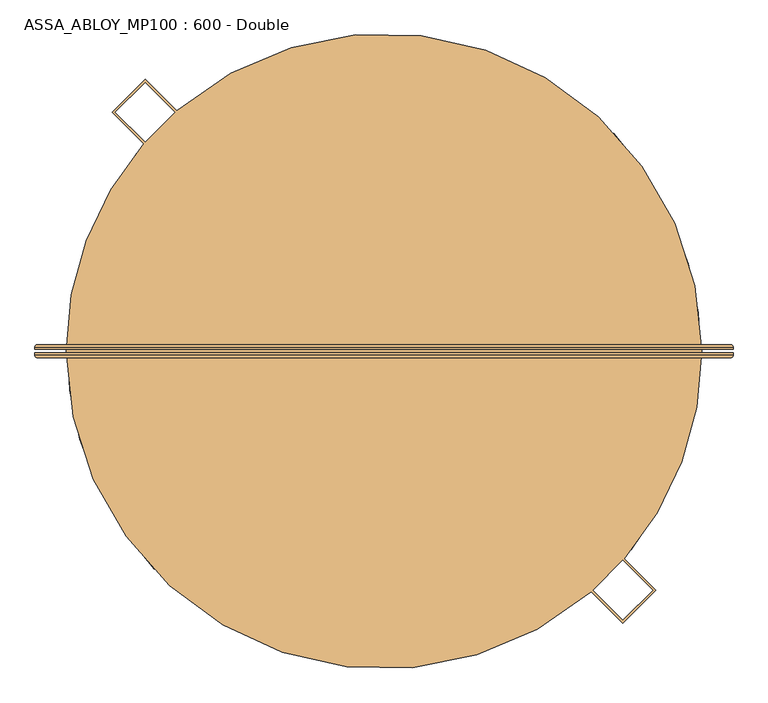
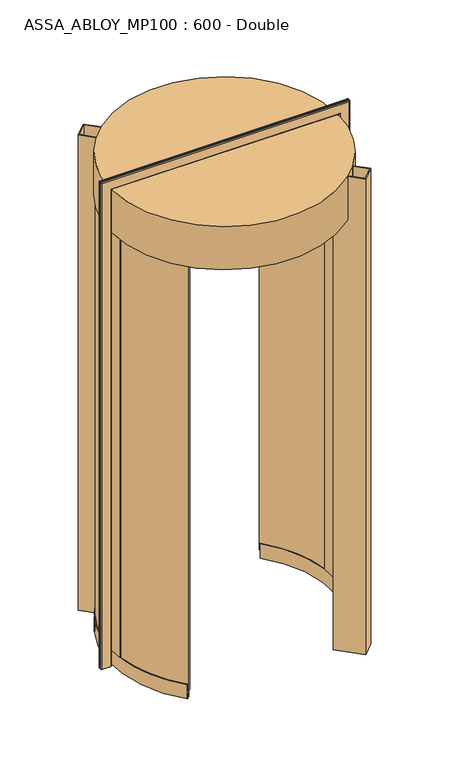
"""IFC4 building model written with IfcOpenShell, lengths in millimetres: door geometry, ASSA_ABLOY_MP100 : 600 - Double."""

from ifc_helpers import new_model, si_unit, point, frame, frame_2d, origin, place, context, project, spatial, polyline, circle_curve, ellipse_curve, trimmed, segment, composite_curve, outline, extrude, source, transform, mapped, element, save
from ifc_brep_helpers import plane_surface, cylinder_surface, revolved_surface, advanced_brep


def assa_abloy_mp100_600_double_fcd128a1(model_context):
    return source(origin(), model_context, "Body", "SolidModel", [
        advanced_brep(
        [(720.0980762, 11.0, 0.0), (724.0980762, 7.0, 0.0), (724.0980762, 3.0, 0.0), (722.0980762, 3.0, 0.0), (722.0980762, 7.0, 0.0), (720.0980762, 9.0, 0.0), (678.0980762, 9.0, 0.0), (676.0980762, 7.0, 0.0), (676.0980762, 3.0, 0.0), (674.0980762, 3.0, 0.0), (674.0980762, 7.0, 0.0), (678.0980762, 11.0, 0.0), (720.0980762, 11.0, 2470.9980762), (724.0980762, 7.0, 2474.9980762), (724.0980762, 3.0, 2474.9980762), (674.0980762, 7.0, 2424.9980762), (678.0980762, 11.0, 2428.9980762), (-428.0980762, 11.0, 2428.9980762), (-428.0980762, 11.0, 0.0), (-470.0980762, 11.0, 0.0), (-470.0980762, 11.0, 2470.9980762), (-474.0980762, 7.0, 2474.9980762), (-474.0980762, 3.0, 2474.9980762), (-424.0980762, 7.0, 2424.9980762), (-424.0980762, 7.0, 0.0), (-424.0980762, 3.0, 0.0), (-426.0980762, 3.0, 0.0), (-426.0980762, 7.0, 0.0), (-428.0980762, 9.0, 0.0), (-470.0980762, 9.0, 0.0), (-472.0980762, 7.0, 0.0), (-472.0980762, 3.0, 0.0), (-474.0980762, 3.0, 0.0), (-474.0980762, 7.0, 0.0), (-472.0980762, 3.0, 2472.9980762), (722.0980762, 3.0, 2472.9980762), (722.0980762, 7.0, 2472.9980762), (720.0980762, 9.0, 2470.9980762), (-470.0980762, 9.0, 2470.9980762), (-428.0980762, 9.0, 2428.9980762), (678.0980762, 9.0, 2428.9980762), (676.0980762, 7.0, 2426.9980762), (676.0980762, 3.0, 2426.9980762), (-426.0980762, 3.0, 2426.9980762), (-424.0980762, 3.0, 2424.9980762), (674.0980762, 3.0, 2424.9980762), (-472.0980762, 7.0, 2472.9980762), (-426.0980762, 7.0, 2426.9980762)],
        [
            (0, 1, circle_curve(frame((720.0980762, 7.0, 0.0), z_axis=(0.0, 0.0, -1.0), x_axis=(-1.0, 0.0, 0.0)), 4.0)),
            (1, 2),
            (2, 3),
            (3, 4),
            (4, 5, circle_curve(frame((720.0980762, 7.0, 0.0), z_axis=(0.0, 0.0, 1.0), x_axis=(-1.0, 0.0, 0.0)), 2.0)),
            (5, 6),
            (6, 7, circle_curve(frame((678.0980762, 7.0, 0.0), z_axis=(0.0, 0.0, 1.0), x_axis=(-1.0, 0.0, 0.0)), 2.0)),
            (7, 8),
            (8, 9),
            (9, 10),
            (10, 11, circle_curve(frame((678.0980762, 7.0, 0.0), z_axis=(0.0, 0.0, -1.0), x_axis=(-1.0, 0.0, 0.0)), 4.0)),
            (11, 0),
            (0, 12),
            (12, 13, ellipse_curve(frame((720.0980762, 7.0, 2470.9980762), z_axis=(0.7071067811865475, 0.0, -0.7071067811865475), x_axis=(-0.7071067811865474, 0.0, -0.7071067811865476)), 5.6568542, 4.0)),
            (13, 1),
            (13, 14),
            (14, 2),
            (10, 15),
            (15, 16, ellipse_curve(frame((678.0980762, 7.0, 2428.9980762), z_axis=(0.7071067811865475, 0.0, -0.7071067811865475), x_axis=(-0.7071067811865474, 0.0, -0.7071067811865476)), 5.6568542, 4.0)),
            (16, 11),
            (16, 17),
            (17, 18),
            (18, 19),
            (19, 20),
            (20, 12),
            (20, 21, ellipse_curve(frame((-470.0980762, 7.0, 2470.9980762), z_axis=(0.7071067811865475, 0.0, 0.7071067811865475), x_axis=(0.7071067811865476, 0.0, -0.7071067811865474)), 5.6568542, 4.0)),
            (21, 13),
            (21, 22),
            (22, 14),
            (15, 23),
            (23, 17, ellipse_curve(frame((-428.0980762, 7.0, 2428.9980762), z_axis=(0.7071067811865475, 0.0, 0.7071067811865475), x_axis=(0.7071067811865476, 0.0, -0.7071067811865474)), 5.6568542, 4.0)),
            (18, 24, circle_curve(frame((-428.0980762, 7.0, 0.0), z_axis=(0.0, 0.0, -1.0), x_axis=(1.0, 0.0, 0.0)), 4.0)),
            (24, 25),
            (25, 26),
            (26, 27),
            (27, 28, circle_curve(frame((-428.0980762, 7.0, 0.0), z_axis=(0.0, 0.0, 1.0), x_axis=(1.0, 0.0, 0.0)), 2.0)),
            (28, 29),
            (29, 30, circle_curve(frame((-470.0980762, 7.0, 0.0), z_axis=(0.0, 0.0, 1.0), x_axis=(1.0, 0.0, 0.0)), 2.0)),
            (30, 31),
            (31, 32),
            (32, 33),
            (33, 19, circle_curve(frame((-470.0980762, 7.0, 0.0), z_axis=(0.0, 0.0, -1.0), x_axis=(1.0, 0.0, 0.0)), 4.0)),
            (33, 21),
            (32, 22),
            (23, 24),
            (31, 34),
            (34, 35),
            (35, 3),
            (35, 36),
            (36, 4),
            (36, 37, ellipse_curve(frame((720.0980762, 7.0, 2470.9980762), z_axis=(-0.7071067811865475, 0.0, 0.7071067811865475), x_axis=(0.7071067811865474, 0.0, 0.7071067811865476)), 2.8284271, 2.0)),
            (37, 5),
            (37, 38),
            (38, 29),
            (28, 39),
            (39, 40),
            (40, 6),
            (40, 41, ellipse_curve(frame((678.0980762, 7.0, 2428.9980762), z_axis=(-0.7071067811865475, 0.0, 0.7071067811865475), x_axis=(0.7071067811865474, 0.0, 0.7071067811865476)), 2.8284271, 2.0)),
            (41, 7),
            (41, 42),
            (42, 8),
            (42, 43),
            (43, 26),
            (25, 44),
            (44, 45),
            (45, 9),
            (45, 15),
            (34, 46),
            (46, 36),
            (46, 38, ellipse_curve(frame((-470.0980762, 7.0, 2470.9980762), z_axis=(-0.7071067811865475, 0.0, -0.7071067811865475), x_axis=(-0.7071067811865476, 0.0, 0.7071067811865474)), 2.8284271, 2.0)),
            (39, 47, ellipse_curve(frame((-428.0980762, 7.0, 2428.9980762), z_axis=(-0.7071067811865475, 0.0, -0.7071067811865475), x_axis=(-0.7071067811865476, 0.0, 0.7071067811865474)), 2.8284271, 2.0)),
            (47, 41),
            (47, 43),
            (44, 23),
            (30, 46),
            (27, 47),
        ],
        [
            plane_surface(frame((674.1, 0.0, 0.0), z_axis=(0.0, 0.0, -1.0), x_axis=(0.0, -1.0, 0.0))),
            cylinder_surface(frame((720.0980762, 7.0, 0.0), z_axis=(0.0, 0.0, -1.0), x_axis=(-1.0, 0.0, 0.0)), 4.0),
            plane_surface(frame((724.0980762, 7.0, 0.0), z_axis=(1.0, 0.0, 0.0), x_axis=(0.0, 0.0, 1.0))),
            cylinder_surface(frame((678.0980762, 7.0, 0.0), z_axis=(0.0, 0.0, -1.0), x_axis=(-1.0, 0.0, 0.0)), 4.0),
            plane_surface(frame((678.0980762, 11.0, 0.0), z_axis=(0.0, 1.0, 0.0), x_axis=(0.0, 0.0, 1.0))),
            cylinder_surface(frame((674.1, 7.0, 2470.9980762), z_axis=(1.0, 0.0, 0.0), x_axis=(0.0, 0.0, -1.0)), 4.0),
            plane_surface(frame((724.0980762, 7.0, 2474.9980762), z_axis=(0.0, 0.0, 1.0), x_axis=(-1.0, 0.0, 0.0))),
            cylinder_surface(frame((674.1, 7.0, 2428.9980762), z_axis=(1.0, 0.0, 0.0), x_axis=(0.0, 0.0, -1.0)), 4.0),
            plane_surface(frame((-424.1, 0.0, 0.0), z_axis=(0.0, 0.0, -1.0), x_axis=(0.0, -1.0, 0.0))),
            cylinder_surface(frame((-470.0980762, 7.0, 2425.0), z_axis=(0.0, 0.0, 1.0), x_axis=(1.0, 0.0, 0.0)), 4.0),
            plane_surface(frame((-474.0980762, 7.0, 2474.9980762), z_axis=(-1.0, 0.0, 0.0), x_axis=(0.0, 0.0, -1.0))),
            cylinder_surface(frame((-428.0980762, 7.0, 2425.0), z_axis=(0.0, 0.0, 1.0), x_axis=(1.0, 0.0, 0.0)), 4.0),
            plane_surface(frame((724.0980762, 3.0, 0.0), z_axis=(0.0, -1.0, 0.0), x_axis=(0.0, 0.0, 1.0))),
            plane_surface(frame((722.0980762, 3.0, 0.0), z_axis=(-1.0, 0.0, 0.0), x_axis=(0.0, 0.0, 1.0))),
            revolved_surface(polyline([(718.0980762, 7.0, 2472.9980762), (718.0980762, 7.0, 0.0)]), (720.0980762, 7.0, 0.0), (0.0, 0.0, 1.0)),
            plane_surface(frame((720.0980762, 9.0, 0.0), z_axis=(0.0, -1.0, 0.0), x_axis=(0.0, 0.0, 1.0))),
            revolved_surface(polyline([(676.0980762, 7.0, 2430.998076182502), (676.0980762, 7.0, 0.0)]), (678.0980762, 7.0, 0.0), (0.0, 0.0, 1.0)),
            plane_surface(frame((676.0980762, 7.0, 0.0), z_axis=(1.0, 0.0, 0.0), x_axis=(0.0, 0.0, 1.0))),
            plane_surface(frame((676.0980762, 3.0, 0.0), z_axis=(0.0, -1.0, 0.0), x_axis=(0.0, 0.0, 1.0))),
            plane_surface(frame((674.0980762, 3.0, 0.0), z_axis=(-1.0, 0.0, 0.0), x_axis=(0.0, 0.0, 1.0))),
            plane_surface(frame((722.0980762, 3.0, 2472.9980762), z_axis=(0.0, 0.0, -1.0), x_axis=(-1.0, 0.0, 0.0))),
            revolved_surface(polyline([(-472.09807620000004, 7.0, 2468.9980762), (722.0980762, 7.0, 2468.9980762)]), (674.1, 7.0, 2470.9980762), (-1.0, 0.0, 0.0)),
            revolved_surface(polyline([(-430.0980761825018, 7.0, 2426.9980762), (680.0980761825018, 7.0, 2426.9980762)]), (674.1, 7.0, 2428.9980762), (-1.0, 0.0, 0.0)),
            plane_surface(frame((676.0980762, 7.0, 2426.9980762), z_axis=(0.0, 0.0, 1.0), x_axis=(-1.0, 0.0, 0.0))),
            plane_surface(frame((674.0980762, 3.0, 2424.9980762), z_axis=(0.0, 0.0, -1.0), x_axis=(-1.0, 0.0, 0.0))),
            plane_surface(frame((-472.0980762, 3.0, 2472.9980762), z_axis=(1.0, 0.0, 0.0), x_axis=(0.0, 0.0, -1.0))),
            revolved_surface(polyline([(-468.0980762, 7.0, 0.0), (-468.0980762, 7.0, 2472.9980762)]), (-470.0980762, 7.0, 2425.0), (0.0, 0.0, -1.0)),
            revolved_surface(polyline([(-426.0980762, 7.0, 0.0), (-426.0980762, 7.0, 2430.998076182502)]), (-428.0980762, 7.0, 2425.0), (0.0, 0.0, -1.0)),
            plane_surface(frame((-426.0980762, 7.0, 2426.9980762), z_axis=(-1.0, 0.0, 0.0), x_axis=(0.0, 0.0, -1.0))),
            plane_surface(frame((-424.0980762, 3.0, 2424.9980762), z_axis=(1.0, 0.0, 0.0), x_axis=(0.0, 0.0, -1.0))),
        ],
        [
            (0, [[1, 2, 3, 4, 5, 6, 7, 8, 9, 10, 11, 12]]),
            (1, [[-1, 13, 14, 15]]),
            (2, [[-2, -15, 16, 17]]),
            (3, [[-11, 18, 19, 20]]),
            (4, [[-12, -20, 21, 22, 23, 24, 25, -13]]),
            (5, [[-14, -25, 26, 27]]),
            (6, [[-16, -27, 28, 29]]),
            (7, [[-19, 30, 31, -21]]),
            (8, [[-23, 32, 33, 34, 35, 36, 37, 38, 39, 40, 41, 42]]),
            (9, [[-26, -24, -42, 43]]),
            (10, [[-28, -43, -41, 44]]),
            (11, [[-31, 45, -32, -22]]),
            (12, [[-3, -17, -29, -44, -40, 46, 47, 48]]),
            (13, [[-4, -48, 49, 50]]),
            (14, [[-5, -50, 51, 52]]),
            (15, [[-6, -52, 53, 54, -37, 55, 56, 57]]),
            (16, [[-7, -57, 58, 59]]),
            (17, [[-8, -59, 60, 61]]),
            (18, [[-9, -61, 62, 63, -34, 64, 65, 66]]),
            (19, [[-10, -66, 67, -18]]),
            (20, [[-49, -47, 68, 69]]),
            (21, [[-51, -69, 70, -53]]),
            (22, [[-58, -56, 71, 72]]),
            (23, [[-60, -72, 73, -62]]),
            (24, [[-67, -65, 74, -30]]),
            (25, [[-68, -46, -39, 75]]),
            (26, [[-70, -75, -38, -54]]),
            (27, [[-71, -55, -36, 76]]),
            (28, [[-73, -76, -35, -63]]),
            (29, [[-74, -64, -33, -45]]),
        ],
    ),
        advanced_brep(
        [(674.0980762, -3.0, 0.0), (676.0980762, -3.0, 0.0), (676.0980762, -7.0, 0.0), (678.0980762, -9.0, 0.0), (720.0980762, -9.0, 0.0), (722.0980762, -7.0, 0.0), (722.0980762, -3.0, 0.0), (724.0980762, -3.0, 0.0), (724.0980762, -7.0, 0.0), (720.0980762, -11.0, 0.0), (678.0980762, -11.0, 0.0), (674.0980762, -7.0, 0.0), (724.0980762, -7.0, 2474.9980762), (720.0980762, -11.0, 2470.9980762), (-470.0980762, -11.0, 2470.9980762), (-470.0980762, -11.0, 0.0), (-428.0980762, -11.0, 0.0), (-428.0980762, -11.0, 2428.9980762), (678.0980762, -11.0, 2428.9980762), (674.0980762, -7.0, 2424.9980762), (674.0980762, -3.0, 2424.9980762), (-474.0980762, -7.0, 2474.9980762), (-424.0980762, -7.0, 2424.9980762), (-424.0980762, -3.0, 2424.9980762), (-424.0980762, -3.0, 0.0), (-424.0980762, -7.0, 0.0), (-474.0980762, -7.0, 0.0), (-474.0980762, -3.0, 0.0), (-472.0980762, -3.0, 0.0), (-472.0980762, -7.0, 0.0), (-470.0980762, -9.0, 0.0), (-428.0980762, -9.0, 0.0), (-426.0980762, -7.0, 0.0), (-426.0980762, -3.0, 0.0), (-426.0980762, -3.0, 2426.9980762), (676.0980762, -3.0, 2426.9980762), (676.0980762, -7.0, 2426.9980762), (678.0980762, -9.0, 2428.9980762), (-428.0980762, -9.0, 2428.9980762), (-470.0980762, -9.0, 2470.9980762), (720.0980762, -9.0, 2470.9980762), (722.0980762, -7.0, 2472.9980762), (722.0980762, -3.0, 2472.9980762), (-472.0980762, -3.0, 2472.9980762), (-474.0980762, -3.0, 2474.9980762), (724.0980762, -3.0, 2474.9980762), (-426.0980762, -7.0, 2426.9980762), (-472.0980762, -7.0, 2472.9980762)],
        [
            (0, 1),
            (1, 2),
            (2, 3, circle_curve(frame((678.0980762, -7.0, 0.0), z_axis=(0.0, 0.0, 1.0), x_axis=(-1.0, 0.0, 0.0)), 2.0)),
            (3, 4),
            (4, 5, circle_curve(frame((720.0980762, -7.0, 0.0), z_axis=(0.0, 0.0, 1.0), x_axis=(-1.0, 0.0, 0.0)), 2.0)),
            (5, 6),
            (6, 7),
            (7, 8),
            (8, 9, circle_curve(frame((720.0980762, -7.0, 0.0), z_axis=(0.0, 0.0, -1.0), x_axis=(-1.0, 0.0, 0.0)), 4.0)),
            (9, 10),
            (10, 11, circle_curve(frame((678.0980762, -7.0, 0.0), z_axis=(0.0, 0.0, -1.0), x_axis=(-1.0, 0.0, 0.0)), 4.0)),
            (11, 0),
            (8, 12),
            (12, 13, ellipse_curve(frame((720.0980762, -7.0, 2470.9980762), z_axis=(0.7071067811865475, 0.0, -0.7071067811865475), x_axis=(-0.7071067811865474, 0.0, -0.7071067811865476)), 5.6568542, 4.0)),
            (13, 9),
            (13, 14),
            (14, 15),
            (15, 16),
            (16, 17),
            (17, 18),
            (18, 10),
            (18, 19, ellipse_curve(frame((678.0980762, -7.0, 2428.9980762), z_axis=(0.7071067811865475, 0.0, -0.7071067811865475), x_axis=(-0.7071067811865474, 0.0, -0.7071067811865476)), 5.6568542, 4.0)),
            (19, 11),
            (19, 20),
            (20, 0),
            (12, 21),
            (21, 14, ellipse_curve(frame((-470.0980762, -7.0, 2470.9980762), z_axis=(0.7071067811865475, 0.0, 0.7071067811865475), x_axis=(0.7071067811865476, 0.0, -0.7071067811865474)), 5.6568542, 4.0)),
            (17, 22, ellipse_curve(frame((-428.0980762, -7.0, 2428.9980762), z_axis=(0.7071067811865475, 0.0, 0.7071067811865475), x_axis=(0.7071067811865476, 0.0, -0.7071067811865474)), 5.6568542, 4.0)),
            (22, 19),
            (22, 23),
            (23, 20),
            (24, 25),
            (25, 16, circle_curve(frame((-428.0980762, -7.0, 0.0), z_axis=(0.0, 0.0, -1.0), x_axis=(1.0, 0.0, 0.0)), 4.0)),
            (15, 26, circle_curve(frame((-470.0980762, -7.0, 0.0), z_axis=(0.0, 0.0, -1.0), x_axis=(1.0, 0.0, 0.0)), 4.0)),
            (26, 27),
            (27, 28),
            (28, 29),
            (29, 30, circle_curve(frame((-470.0980762, -7.0, 0.0), z_axis=(0.0, 0.0, 1.0), x_axis=(1.0, 0.0, 0.0)), 2.0)),
            (30, 31),
            (31, 32, circle_curve(frame((-428.0980762, -7.0, 0.0), z_axis=(0.0, 0.0, 1.0), x_axis=(1.0, 0.0, 0.0)), 2.0)),
            (32, 33),
            (33, 24),
            (21, 26),
            (25, 22),
            (24, 23),
            (33, 34),
            (34, 35),
            (35, 1),
            (35, 36),
            (36, 2),
            (36, 37, ellipse_curve(frame((678.0980762, -7.0, 2428.9980762), z_axis=(-0.7071067811865475, 0.0, 0.7071067811865475), x_axis=(0.7071067811865474, 0.0, 0.7071067811865476)), 2.8284271, 2.0)),
            (37, 3),
            (37, 38),
            (38, 31),
            (30, 39),
            (39, 40),
            (40, 4),
            (40, 41, ellipse_curve(frame((720.0980762, -7.0, 2470.9980762), z_axis=(-0.7071067811865475, 0.0, 0.7071067811865475), x_axis=(0.7071067811865474, 0.0, 0.7071067811865476)), 2.8284271, 2.0)),
            (41, 5),
            (41, 42),
            (42, 6),
            (42, 43),
            (43, 28),
            (27, 44),
            (44, 45),
            (45, 7),
            (45, 12),
            (34, 46),
            (46, 36),
            (46, 38, ellipse_curve(frame((-428.0980762, -7.0, 2428.9980762), z_axis=(-0.7071067811865475, 0.0, -0.7071067811865475), x_axis=(-0.7071067811865476, 0.0, 0.7071067811865474)), 2.8284271, 2.0)),
            (39, 47, ellipse_curve(frame((-470.0980762, -7.0, 2470.9980762), z_axis=(-0.7071067811865475, 0.0, -0.7071067811865475), x_axis=(-0.7071067811865476, 0.0, 0.7071067811865474)), 2.8284271, 2.0)),
            (47, 41),
            (47, 43),
            (44, 21),
            (32, 46),
            (29, 47),
        ],
        [
            plane_surface(frame((674.1, 0.0, 0.0), z_axis=(0.0, 0.0, -1.0), x_axis=(0.0, -1.0, 0.0))),
            cylinder_surface(frame((720.0980762, -7.0, 0.0), z_axis=(0.0, 0.0, -1.0), x_axis=(-1.0, 0.0, 0.0)), 4.0),
            plane_surface(frame((720.0980762, -11.0, 0.0), z_axis=(0.0, -1.0, 0.0), x_axis=(0.0, 0.0, 1.0))),
            cylinder_surface(frame((678.0980762, -7.0, 0.0), z_axis=(0.0, 0.0, -1.0), x_axis=(-1.0, 0.0, 0.0)), 4.0),
            plane_surface(frame((674.0980762, -7.0, 0.0), z_axis=(-1.0, 0.0, 0.0), x_axis=(0.0, 0.0, 1.0))),
            cylinder_surface(frame((674.1, -7.0, 2470.9980762), z_axis=(1.0, 0.0, 0.0), x_axis=(0.0, 0.0, -1.0)), 4.0),
            cylinder_surface(frame((674.1, -7.0, 2428.9980762), z_axis=(1.0, 0.0, 0.0), x_axis=(0.0, 0.0, -1.0)), 4.0),
            plane_surface(frame((674.0980762, -7.0, 2424.9980762), z_axis=(0.0, 0.0, -1.0), x_axis=(-1.0, 0.0, 0.0))),
            plane_surface(frame((-424.1, 0.0, 0.0), z_axis=(0.0, 0.0, -1.0), x_axis=(0.0, -1.0, 0.0))),
            cylinder_surface(frame((-470.0980762, -7.0, 2425.0), z_axis=(0.0, 0.0, 1.0), x_axis=(1.0, 0.0, 0.0)), 4.0),
            cylinder_surface(frame((-428.0980762, -7.0, 2425.0), z_axis=(0.0, 0.0, 1.0), x_axis=(1.0, 0.0, 0.0)), 4.0),
            plane_surface(frame((-424.0980762, -7.0, 2424.9980762), z_axis=(1.0, 0.0, 0.0), x_axis=(0.0, 0.0, -1.0))),
            plane_surface(frame((674.0980762, -3.0, 0.0), z_axis=(0.0, 1.0, 0.0), x_axis=(0.0, 0.0, 1.0))),
            plane_surface(frame((676.0980762, -3.0, 0.0), z_axis=(1.0, 0.0, 0.0), x_axis=(0.0, 0.0, 1.0))),
            revolved_surface(polyline([(676.0980762, -7.0, 2430.998076182502), (676.0980762, -7.0, 0.0)]), (678.0980762, -7.0, 0.0), (0.0, 0.0, 1.0)),
            plane_surface(frame((678.0980762, -9.0, 0.0), z_axis=(0.0, 1.0, 0.0), x_axis=(0.0, 0.0, 1.0))),
            revolved_surface(polyline([(718.0980762, -7.0, 2472.9980762), (718.0980762, -7.0, 0.0)]), (720.0980762, -7.0, 0.0), (0.0, 0.0, 1.0)),
            plane_surface(frame((722.0980762, -7.0, 0.0), z_axis=(-1.0, 0.0, 0.0), x_axis=(0.0, 0.0, 1.0))),
            plane_surface(frame((722.0980762, -3.0, 0.0), z_axis=(0.0, 1.0, 0.0), x_axis=(0.0, 0.0, 1.0))),
            plane_surface(frame((724.0980762, -3.0, 0.0), z_axis=(1.0, 0.0, 0.0), x_axis=(0.0, 0.0, 1.0))),
            plane_surface(frame((676.0980762, -3.0, 2426.9980762), z_axis=(0.0, 0.0, 1.0), x_axis=(-1.0, 0.0, 0.0))),
            revolved_surface(polyline([(-430.0980761825018, -7.0, 2426.9980762), (680.0980761825018, -7.0, 2426.9980762)]), (674.1, -7.0, 2428.9980762), (-1.0, 0.0, 0.0)),
            revolved_surface(polyline([(-472.09807620000004, -7.0, 2468.9980762), (722.0980762, -7.0, 2468.9980762)]), (674.1, -7.0, 2470.9980762), (-1.0, 0.0, 0.0)),
            plane_surface(frame((722.0980762, -7.0, 2472.9980762), z_axis=(0.0, 0.0, -1.0), x_axis=(-1.0, 0.0, 0.0))),
            plane_surface(frame((724.0980762, -3.0, 2474.9980762), z_axis=(0.0, 0.0, 1.0), x_axis=(-1.0, 0.0, 0.0))),
            plane_surface(frame((-426.0980762, -3.0, 2426.9980762), z_axis=(-1.0, 0.0, 0.0), x_axis=(0.0, 0.0, -1.0))),
            revolved_surface(polyline([(-426.0980762, -7.0, 0.0), (-426.0980762, -7.0, 2430.998076182502)]), (-428.0980762, -7.0, 2425.0), (0.0, 0.0, -1.0)),
            revolved_surface(polyline([(-468.0980762, -7.0, 0.0), (-468.0980762, -7.0, 2472.9980762)]), (-470.0980762, -7.0, 2425.0), (0.0, 0.0, -1.0)),
            plane_surface(frame((-472.0980762, -7.0, 2472.9980762), z_axis=(1.0, 0.0, 0.0), x_axis=(0.0, 0.0, -1.0))),
            plane_surface(frame((-474.0980762, -3.0, 2474.9980762), z_axis=(-1.0, 0.0, 0.0), x_axis=(0.0, 0.0, -1.0))),
        ],
        [
            (0, [[1, 2, 3, 4, 5, 6, 7, 8, 9, 10, 11, 12]]),
            (1, [[-9, 13, 14, 15]]),
            (2, [[-10, -15, 16, 17, 18, 19, 20, 21]]),
            (3, [[-11, -21, 22, 23]]),
            (4, [[-12, -23, 24, 25]]),
            (5, [[-14, 26, 27, -16]]),
            (6, [[-22, -20, 28, 29]]),
            (7, [[-24, -29, 30, 31]]),
            (8, [[32, 33, -18, 34, 35, 36, 37, 38, 39, 40, 41, 42]]),
            (9, [[-27, 43, -34, -17]]),
            (10, [[-28, -19, -33, 44]]),
            (11, [[-30, -44, -32, 45]]),
            (12, [[-1, -25, -31, -45, -42, 46, 47, 48]]),
            (13, [[-2, -48, 49, 50]]),
            (14, [[-3, -50, 51, 52]]),
            (15, [[-4, -52, 53, 54, -39, 55, 56, 57]]),
            (16, [[-5, -57, 58, 59]]),
            (17, [[-6, -59, 60, 61]]),
            (18, [[-7, -61, 62, 63, -36, 64, 65, 66]]),
            (19, [[-8, -66, 67, -13]]),
            (20, [[-49, -47, 68, 69]]),
            (21, [[-51, -69, 70, -53]]),
            (22, [[-58, -56, 71, 72]]),
            (23, [[-60, -72, 73, -62]]),
            (24, [[-67, -65, 74, -26]]),
            (25, [[-68, -46, -41, 75]]),
            (26, [[-70, -75, -40, -54]]),
            (27, [[-71, -55, -38, 76]]),
            (28, [[-73, -76, -37, -63]]),
            (29, [[-74, -64, -35, -43]]),
        ],
    ),
        advanced_brep(
        [(-254.7517034, -360.4070563, 73.0), (-256.9277231, -362.472229, 73.0), (-256.9277231, -362.472229, 39.0), (-267.0824817, -372.1097016, 39.0), (-267.0824817, -372.1097016, 73.0), (-269.2585014, -374.1748743, 73.0), (-269.2585014, -374.1748743, 0.0), (-267.0824817, -372.1097016, 0.0), (-267.0824817, -372.1097016, 24.0), (-256.9277231, -362.472229, 24.0), (-256.9277231, -362.472229, 0.0), (-254.7517034, -360.4070563, 0.0), (-283.2986839, 327.7144904, 73.0), (-283.2986839, 327.7144904, 0.0), (-285.638281, 329.5923311, 0.0), (-285.638281, 329.5923311, 24.0), (-296.5564007, 338.3555874, 24.0), (-296.5564007, 338.3555874, 0.0), (-298.8959978, 340.2334281, 0.0), (-298.8959978, 340.2334281, 73.0), (-296.5564007, 338.3555874, 73.0), (-296.5564007, 338.3555874, 39.0), (-285.638281, 329.5923311, 39.0), (-285.638281, 329.5923311, 73.0), (-394.6530012, -63.760182, 73.0), (-397.630671, -64.1255349, 73.0), (-401.2534983, 17.6679957, 73.0), (-398.2551876, 17.567333, 73.0), (-415.2456149, 18.1377521, 73.0), (-411.5264636, -65.8305123, 73.0), (-414.5041334, -66.1958651, 73.0), (-418.2439256, 18.2384148, 73.0), (-418.2439256, 18.2384148, 2200.0), (-414.5041334, -66.1958651, 2200.0), (-411.5264636, -65.8305123, 2200.0), (-415.2456149, 18.1377521, 2200.0), (-398.2551876, 17.567333, 2200.0), (-401.2534983, 17.6679957, 2200.0), (-397.630671, -64.1255349, 2200.0), (-394.6530012, -63.760182, 2200.0)],
        [
            (0, 1),
            (1, 2),
            (2, 3),
            (3, 4),
            (4, 5),
            (5, 6),
            (6, 7),
            (7, 8),
            (8, 9),
            (9, 10),
            (10, 11),
            (11, 0),
            (12, 13),
            (13, 14),
            (14, 15),
            (15, 16),
            (16, 17),
            (17, 18),
            (18, 19),
            (19, 20),
            (20, 21),
            (21, 22),
            (22, 23),
            (23, 12),
            (0, 24, circle_curve(frame((125.0, 0.0, 73.0), z_axis=(0.0, 0.0, -1.0), x_axis=(-0.7253398976610149, -0.6883909012044744, 0.0)), 523.55)),
            (24, 25),
            (25, 1, circle_curve(frame((125.0, 0.0, 73.0), z_axis=(0.0, 0.0, 1.0), x_axis=(-0.7253398976610149, -0.6883909012044744, 0.0)), 526.55)),
            (23, 26, circle_curve(frame((125.0, 0.0, 73.0), z_axis=(0.0, 0.0, 1.0), x_axis=(-0.7253398976610149, -0.6883909012044744, 0.0)), 526.55)),
            (26, 27),
            (27, 12, circle_curve(frame((125.0, 0.0, 73.0), z_axis=(0.0, 0.0, -1.0), x_axis=(-0.7253398976610149, -0.6883909012044744, 0.0)), 523.55)),
            (25, 26, circle_curve(frame((125.0, 0.0, 73.0), z_axis=(0.0, 0.0, -1.0), x_axis=(-0.7253398976610149, -0.6883909012044744, 0.0)), 526.55)),
            (22, 2, circle_curve(frame((125.0, 0.0, 39.0), z_axis=(0.0, 0.0, 1.0), x_axis=(-0.7253398976610149, -0.6883909012044744, 0.0)), 526.55)),
            (21, 3, circle_curve(frame((125.0, 0.0, 39.0), z_axis=(0.0, 0.0, 1.0), x_axis=(-0.7253398976610149, -0.6883909012044744, 0.0)), 540.55)),
            (20, 28, circle_curve(frame((125.0, 0.0, 73.0), z_axis=(0.0, 0.0, 1.0), x_axis=(-0.7253398976610149, -0.6883909012044744, 0.0)), 540.55)),
            (28, 29, circle_curve(frame((125.0, 0.0, 73.0), z_axis=(0.0, 0.0, 1.0), x_axis=(-0.7253398976610149, -0.6883909012044744, 0.0)), 540.55)),
            (29, 4, circle_curve(frame((125.0, 0.0, 73.0), z_axis=(0.0, 0.0, 1.0), x_axis=(-0.7253398976610149, -0.6883909012044744, 0.0)), 540.55)),
            (29, 30),
            (30, 5, circle_curve(frame((125.0, 0.0, 73.0), z_axis=(0.0, 0.0, 1.0), x_axis=(-0.7253398976610149, -0.6883909012044744, 0.0)), 543.55)),
            (19, 31, circle_curve(frame((125.0, 0.0, 73.0), z_axis=(0.0, 0.0, 1.0), x_axis=(-0.7253398976610149, -0.6883909012044744, 0.0)), 543.55)),
            (31, 28),
            (30, 31, circle_curve(frame((125.0, 0.0, 73.0), z_axis=(0.0, 0.0, -1.0), x_axis=(-0.7253398976610149, -0.6883909012044744, 0.0)), 543.55)),
            (18, 6, circle_curve(frame((125.0, 0.0, 0.0), z_axis=(0.0, 0.0, 1.0), x_axis=(-0.7253398976610149, -0.6883909012044744, 0.0)), 543.55)),
            (17, 7, circle_curve(frame((125.0, 0.0, 0.0), z_axis=(0.0, 0.0, 1.0), x_axis=(-0.7253398976610149, -0.6883909012044744, 0.0)), 540.55)),
            (16, 8, circle_curve(frame((125.0, 0.0, 24.0), z_axis=(0.0, 0.0, 1.0), x_axis=(-0.7253398976610149, -0.6883909012044744, 0.0)), 540.55)),
            (15, 9, circle_curve(frame((125.0, 0.0, 24.0), z_axis=(0.0, 0.0, 1.0), x_axis=(-0.7253398976610149, -0.6883909012044744, 0.0)), 526.55)),
            (14, 10, circle_curve(frame((125.0, 0.0, 0.0), z_axis=(0.0, 0.0, 1.0), x_axis=(-0.7253398976610149, -0.6883909012044744, 0.0)), 526.55)),
            (13, 11, circle_curve(frame((125.0, 0.0, 0.0), z_axis=(0.0, 0.0, 1.0), x_axis=(-0.7253398976610149, -0.6883909012044744, 0.0)), 523.55)),
            (27, 24, circle_curve(frame((125.0, 0.0, 73.0), z_axis=(0.0, 0.0, 1.0), x_axis=(-0.7253398976610149, -0.6883909012044744, 0.0)), 523.55)),
            (32, 33, circle_curve(frame((125.0, 0.0, 2200.0), z_axis=(0.0, 0.0, 1.0), x_axis=(0.7071067811865459, -0.7071067811865491, 0.0)), 543.55)),
            (33, 34),
            (34, 35, circle_curve(frame((125.0, 0.0, 2200.0), z_axis=(0.0, 0.0, -1.0), x_axis=(0.7071067811865459, -0.7071067811865491, 0.0)), 540.55)),
            (35, 32),
            (32, 31),
            (30, 33),
            (29, 34),
            (28, 35),
            (36, 37),
            (37, 38, circle_curve(frame((125.0, 0.0, 2200.0), z_axis=(0.0, 0.0, 1.0), x_axis=(0.7071067811865459, -0.7071067811865492, 0.0)), 526.55)),
            (38, 39),
            (39, 36, circle_curve(frame((125.0, 0.0, 2200.0), z_axis=(0.0, 0.0, -1.0), x_axis=(0.7071067811865459, -0.7071067811865492, 0.0)), 523.55)),
            (36, 27),
            (26, 37),
            (25, 38),
            (24, 39),
        ],
        [
            plane_surface(frame((-262.0051024, -367.2909653, 0.0), z_axis=(0.6883909012044744, -0.725339897661015, 0.0), x_axis=(0.0, 0.0, 1.0))),
            plane_surface(frame((-291.0973408, 333.9739593, 0.0), z_axis=(0.6259468826825044, 0.7798656936037481, 0.0), x_axis=(0.0, 0.0, 1.0))),
            plane_surface(frame((125.0, 0.0, 73.0), z_axis=(0.0, 0.0, 1.0), x_axis=(-0.7253398976610149, -0.6883909012044744, 0.0))),
            cylinder_surface(frame((125.0, 0.0, 0.0), z_axis=(0.0, 0.0, -1.0), x_axis=(-0.7253398976610149, -0.6883909012044744, 0.0)), 526.55),
            plane_surface(frame((125.0, 0.0, 39.0), z_axis=(0.0, 0.0, 1.0), x_axis=(-0.7253398976610149, -0.6883909012044744, 0.0))),
            revolved_surface(polyline([(-267.0824816806616, -372.10970164607863, 39.0), (-267.0824816806616, -372.10970164607863, 73.0)]), (125.0, 0.0, 0.0), (0.0, 0.0, -1.0)),
            cylinder_surface(frame((125.0, 0.0, 0.0), z_axis=(0.0, 0.0, -1.0), x_axis=(-0.7253398976610149, -0.6883909012044744, 0.0)), 543.55),
            plane_surface(frame((125.0, 0.0, 0.0), z_axis=(0.0, 0.0, -1.0), x_axis=(-0.7253398976610149, -0.6883909012044744, 0.0))),
            revolved_surface(polyline([(-267.0824816806616, -372.10970164607863, 0.0), (-267.0824816806616, -372.10970164607863, 24.0)]), (125.0, 0.0, 0.0), (0.0, 0.0, -1.0)),
            plane_surface(frame((125.0, 0.0, 24.0), z_axis=(0.0, 0.0, -1.0), x_axis=(-0.7253398976610149, -0.6883909012044744, 0.0))),
            revolved_surface(polyline([(-254.75170342042435, -360.4070563256026, 0.0), (-254.75170342042435, -360.4070563256026, 73.0)]), (125.0, 0.0, 0.0), (0.0, 0.0, -1.0)),
            plane_surface(frame((509.3478909, -384.3478909, 2200.0), z_axis=(0.0, 0.0, 1.0), x_axis=(0.7071067811865491, 0.7071067811865459, 0.0))),
            cylinder_surface(frame((125.0, 0.0, 73.0), z_axis=(0.0, 0.0, 1.0), x_axis=(0.7071067811865459, -0.7071067811865491, 0.0)), 543.55),
            plane_surface(frame((-414.5041334, -66.1958651, 2200.0), z_axis=(0.1217842920042436, -0.9925565909413051, 0.0), x_axis=(0.0, 0.0, -1.0))),
            revolved_surface(polyline([(507.22657057038737, -382.2265705703891, 73.0), (507.22657057038737, -382.2265705703891, 2200.0)]), (125.0, 0.0, 73.0), (0.0, 0.0, -1.0)),
            plane_surface(frame((-415.2456149, 18.1377521, 2200.0), z_axis=(0.033554229627503304, 0.9994368982952875, 0.0), x_axis=(0.0, 0.0, -1.0))),
            plane_surface(frame((-398.2551876, 17.567333, 2200.0), z_axis=(0.0, 0.0, 1.0000000000000002), x_axis=(-0.9994368982082206, 0.03355423222085559, 0.0))),
            plane_surface(frame((-398.2551876, 17.567333, 2200.0), z_axis=(0.03355423222085559, 0.9994368982082206, 0.0), x_axis=(0.0, 0.0, -1.0))),
            cylinder_surface(frame((125.0, 0.0, 73.0), z_axis=(0.0, 0.0, 1.0000000000000002), x_axis=(0.7071067811865459, -0.7071067811865492, 0.0)), 526.55),
            plane_surface(frame((-397.630671, -64.1255349, 2200.0), z_axis=(0.12178429472698447, -0.9925565906072313, 0.0), x_axis=(0.0, 0.0, -1.0))),
            revolved_surface(polyline([(495.2057552902161, -370.20575529021784, 73.0), (495.2057552902161, -370.20575529021784, 2200.000000000001)]), (125.0, 0.0, 73.0), (0.0, 0.0, -1.0000000000000002)),
        ],
        [
            (0, [[1, 2, 3, 4, 5, 6, 7, 8, 9, 10, 11, 12]]),
            (1, [[13, 14, 15, 16, 17, 18, 19, 20, 21, 22, 23, 24]]),
            (2, [[-1, 25, 26, 27]]),
            (2, [[-24, 28, 29, 30]]),
            (3, [[-2, -27, 31, -28, -23, 32]]),
            (4, [[-3, -32, -22, 33]]),
            (5, [[-4, -33, -21, 34, 35, 36]]),
            (2, [[-5, -36, 37, 38]]),
            (2, [[-20, 39, 40, -34]]),
            (6, [[-6, -38, 41, -39, -19, 42]]),
            (7, [[-7, -42, -18, 43]]),
            (8, [[-8, -43, -17, 44]]),
            (9, [[-9, -44, -16, 45]]),
            (3, [[-10, -45, -15, 46]]),
            (7, [[-11, -46, -14, 47]]),
            (10, [[-12, -47, -13, -30, 48, -25]]),
            (11, [[49, 50, 51, 52]]),
            (12, [[-49, 53, -41, 54]]),
            (13, [[-50, -54, -37, 55]]),
            (14, [[-51, -55, -35, 56]]),
            (15, [[-52, -56, -40, -53]]),
            (16, [[57, 58, 59, 60]]),
            (17, [[-57, 61, -29, 62]]),
            (18, [[-58, -62, -31, 63]]),
            (19, [[-59, -63, -26, 64]]),
            (20, [[-60, -64, -48, -61]]),
        ],
    ),
        advanced_brep(
        [(664.502708, 66.1956627, 2200.0), (661.5250382, 65.8303099, 2200.0), (665.2441773, -18.1376765, 2200.0), (668.2424879, -18.2383391, 2200.0), (664.502708, 66.1956627, 73.0), (661.5250382, 65.8303099, 73.0), (665.2441773, -18.1376765, 73.0), (668.2424879, -18.2383391, 73.0), (546.5578551, -338.3514758, 24.0), (546.5578551, -338.3514758, 0.0), (548.8974665, -340.2292986, 0.0), (548.8974665, -340.2292986, 73.0), (546.5578551, -338.3514758, 73.0), (546.5578551, -338.3514758, 39.0), (535.6396687, -329.5883026, 39.0), (535.6396687, -329.5883026, 73.0), (533.3000573, -327.7104797, 73.0), (533.3000573, -327.7104797, 0.0), (535.6396687, -329.5883026, 0.0), (535.6396687, -329.5883026, 24.0), (517.0833993, 372.1066438, 24.0), (506.92859, 362.4692247, 24.0), (506.92859, 362.4692247, 0.0), (504.7525594, 360.4040634, 0.0), (504.7525594, 360.4040634, 73.0), (506.92859, 362.4692247, 73.0), (506.92859, 362.4692247, 39.0), (517.0833993, 372.1066438, 39.0), (517.0833993, 372.1066438, 73.0), (519.2594299, 374.171805, 73.0), (519.2594299, 374.171805, 0.0), (517.0833993, 372.1066438, 0.0), (647.6292459, 64.1253301, 73.0), (651.2520607, -17.6679176, 73.0), (648.25375, -17.567255, 73.0), (644.6515761, 63.7599773, 73.0), (644.6515761, 63.7599773, 2200.0), (648.25375, -17.567255, 2200.0), (651.2520607, -17.6679176, 2200.0), (647.6292459, 64.1253301, 2200.0)],
        [
            (0, 1),
            (1, 2, circle_curve(frame((125.0, 0.0, 2200.0), z_axis=(0.0, 0.0, -1.0), x_axis=(-0.7071067811865481, -0.7071067811865469, 0.0)), 540.5485606)),
            (2, 3),
            (3, 0, circle_curve(frame((125.0, 0.0, 2200.0), z_axis=(0.0, 0.0, 1.0), x_axis=(-0.7071067811865481, -0.7071067811865469, 0.0)), 543.5485606)),
            (0, 4),
            (4, 5),
            (5, 1),
            (5, 6, circle_curve(frame((125.0, 0.0, 73.0), z_axis=(0.0, 0.0, -1.0), x_axis=(-0.7071067811865481, -0.7071067811865469, 0.0)), 540.5485606)),
            (6, 2),
            (6, 7),
            (7, 3),
            (7, 4, circle_curve(frame((125.0, 0.0, 73.0), z_axis=(0.0, 0.0, 1.0), x_axis=(-0.7071067811865481, -0.7071067811865469, 0.0)), 543.5485606)),
            (8, 9),
            (9, 10),
            (10, 11),
            (11, 12),
            (12, 13),
            (13, 14),
            (14, 15),
            (15, 16),
            (16, 17),
            (17, 18),
            (18, 19),
            (19, 8),
            (20, 21),
            (21, 22),
            (22, 23),
            (23, 24),
            (24, 25),
            (25, 26),
            (26, 27),
            (27, 28),
            (28, 29),
            (29, 30),
            (30, 31),
            (31, 20),
            (8, 20, circle_curve(frame((125.0, 0.0, 24.0), z_axis=(0.0, 0.0, 1.0), x_axis=(0.779870460956357, -0.6259409430031871, 0.0)), 540.5485606)),
            (31, 9, circle_curve(frame((125.0, 0.0, 0.0), z_axis=(0.0, 0.0, -1.0), x_axis=(0.779870460956357, -0.6259409430031871, 0.0)), 540.5485606)),
            (30, 10, circle_curve(frame((125.0, 0.0, 0.0), z_axis=(0.0, 0.0, -1.0), x_axis=(0.779870460956357, -0.6259409430031871, 0.0)), 543.5485606)),
            (29, 4, circle_curve(frame((125.0, 0.0, 73.0), z_axis=(0.0, 0.0, -1.0), x_axis=(0.779870460956357, -0.6259409430031871, 0.0)), 543.5485606)),
            (7, 11, circle_curve(frame((125.0, 0.0, 73.0), z_axis=(0.0, 0.0, -1.0), x_axis=(0.779870460956357, -0.6259409430031871, 0.0)), 543.5485606)),
            (6, 12, circle_curve(frame((125.0, 0.0, 73.0), z_axis=(0.0, 0.0, -1.0), x_axis=(0.779870460956357, -0.6259409430031871, 0.0)), 540.5485606)),
            (28, 5, circle_curve(frame((125.0, 0.0, 73.0), z_axis=(0.0, 0.0, -1.0), x_axis=(0.779870460956357, -0.6259409430031871, 0.0)), 540.5485606)),
            (27, 13, circle_curve(frame((125.0, 0.0, 39.0), z_axis=(0.0, 0.0, -1.0), x_axis=(0.779870460956357, -0.6259409430031871, 0.0)), 540.5485606)),
            (26, 14, circle_curve(frame((125.0, 0.0, 39.0), z_axis=(0.0, 0.0, -1.0), x_axis=(0.779870460956357, -0.6259409430031871, 0.0)), 526.5485606)),
            (25, 32, circle_curve(frame((125.0, 0.0, 73.0), z_axis=(0.0, 0.0, -1.0), x_axis=(0.779870460956357, -0.6259409430031871, 0.0)), 526.5485606)),
            (32, 33, circle_curve(frame((125.0, 0.0, 73.0), z_axis=(0.0, 0.0, -1.0), x_axis=(0.779870460956357, -0.6259409430031871, 0.0)), 526.5485606)),
            (33, 15, circle_curve(frame((125.0, 0.0, 73.0), z_axis=(0.0, 0.0, -1.0), x_axis=(0.779870460956357, -0.6259409430031871, 0.0)), 526.5485606)),
            (33, 34),
            (34, 16, circle_curve(frame((125.0, 0.0, 73.0), z_axis=(0.0, 0.0, -1.0), x_axis=(0.779870460956357, -0.6259409430031871, 0.0)), 523.5485606)),
            (24, 35, circle_curve(frame((125.0, 0.0, 73.0), z_axis=(0.0, 0.0, -1.0), x_axis=(0.779870460956357, -0.6259409430031871, 0.0)), 523.5485606)),
            (35, 32),
            (34, 35, circle_curve(frame((125.0, 0.0, 73.0), z_axis=(0.0, 0.0, 1.0), x_axis=(0.779870460956357, -0.6259409430031871, 0.0)), 523.5485606)),
            (23, 17, circle_curve(frame((125.0, 0.0, 0.0), z_axis=(0.0, 0.0, -1.0), x_axis=(0.779870460956357, -0.6259409430031871, 0.0)), 523.5485606)),
            (22, 18, circle_curve(frame((125.0, 0.0, 0.0), z_axis=(0.0, 0.0, -1.0), x_axis=(0.779870460956357, -0.6259409430031871, 0.0)), 526.5485606)),
            (21, 19, circle_curve(frame((125.0, 0.0, 24.0), z_axis=(0.0, 0.0, -1.0), x_axis=(0.779870460956357, -0.6259409430031871, 0.0)), 526.5485606)),
            (36, 37, circle_curve(frame((125.0, 0.0, 2200.0), z_axis=(0.0, 0.0, -1.0), x_axis=(-0.707106781186548, -0.707106781186547, 0.0)), 523.5485606)),
            (37, 38),
            (38, 39, circle_curve(frame((125.0, 0.0, 2200.0), z_axis=(0.0, 0.0, 1.0), x_axis=(-0.707106781186548, -0.707106781186547, 0.0)), 526.5485606)),
            (39, 36),
            (36, 35),
            (34, 37),
            (33, 38),
            (32, 39),
        ],
        [
            plane_surface(frame((664.502708, 66.1956627, 2200.0), z_axis=(0.0, 0.0, 1.0), x_axis=(-0.99255659409558, -0.12178426629652185, 0.0))),
            plane_surface(frame((664.502708, 66.1956627, 2200.0), z_axis=(-0.12178426629652185, 0.99255659409558, 0.0), x_axis=(0.0, 0.0, -1.0))),
            revolved_surface(polyline([(-257.22555276088775, -382.22555276088707, 73.0), (-257.22555276088775, -382.22555276088707, 2200.0)]), (125.0, 0.0, 73.0), (0.0, 0.0, -1.0)),
            plane_surface(frame((665.2441773, -18.1376765, 2200.0), z_axis=(-0.0335542036729528, -0.9994368991666628, 0.0), x_axis=(0.0, 0.0, -1.0))),
            cylinder_surface(frame((125.0, 0.0, 73.0), z_axis=(0.0, 0.0, 1.0), x_axis=(-0.7071067811865481, -0.7071067811865469, 0.0)), 543.5485606),
            plane_surface(frame((541.0987619, -333.9698892, 0.0), z_axis=(-0.6259409430031871, -0.779870460956357, 0.0), x_axis=(0.0, 0.0, 1.0))),
            plane_surface(frame((512.0059947, 367.2879342, 0.0), z_axis=(-0.6883870772697822, 0.7253435267843555, 0.0), x_axis=(0.0, 0.0, 1.0))),
            revolved_surface(polyline([(546.5578551244173, -338.35147576097944, 24.0), (546.5578551244173, -338.35147576097944, 0.0)]), (125.0, 0.0, 0.0), (0.0, 0.0, 1.0)),
            plane_surface(frame((125.0, 0.0, 0.0), z_axis=(0.0, 0.0, -1.0), x_axis=(0.779870460956357, -0.6259409430031871, 0.0))),
            cylinder_surface(frame((125.0, 0.0, 0.0), z_axis=(0.0, 0.0, 1.0), x_axis=(0.779870460956357, -0.6259409430031871, 0.0)), 543.5485606),
            plane_surface(frame((125.0, 0.0, 73.0), z_axis=(0.0, 0.0, 1.0), x_axis=(0.779870460956357, -0.6259409430031871, 0.0))),
            revolved_surface(polyline([(546.5578551244173, -338.35147576097944, 73.0), (546.5578551244173, -338.35147576097944, 39.0)]), (125.0, 0.0, 0.0), (0.0, 0.0, 1.0)),
            plane_surface(frame((125.0, 0.0, 39.0), z_axis=(0.0, 0.0, 1.0), x_axis=(0.779870460956357, -0.6259409430031871, 0.0))),
            cylinder_surface(frame((125.0, 0.0, 0.0), z_axis=(0.0, 0.0, 1.0), x_axis=(0.779870460956357, -0.6259409430031871, 0.0)), 526.5485606),
            revolved_surface(polyline([(533.3000572881592, -327.7104797299253, 73.0), (533.3000572881592, -327.7104797299253, 0.0)]), (125.0, 0.0, 0.0), (0.0, 0.0, 1.0)),
            plane_surface(frame((125.0, 0.0, 24.0), z_axis=(0.0, 0.0, -1.0), x_axis=(0.779870460956357, -0.6259409430031871, 0.0))),
            plane_surface(frame((-245.2047375, -370.2047375, 2200.0), z_axis=(0.0, 0.0, 1.0), x_axis=(-0.707106781186547, 0.707106781186548, 0.0))),
            revolved_surface(polyline([(-245.20473748071635, -370.20473748071583, 73.0), (-245.20473748071635, -370.20473748071583, 2200.0)]), (125.0, 0.0, 73.0), (0.0, 0.0, -1.0)),
            plane_surface(frame((648.25375, -17.567255, 2200.0), z_axis=(-0.033554203670267166, -0.9994368991667529, 0.0), x_axis=(0.0, 0.0, -1.0))),
            cylinder_surface(frame((125.0, 0.0, 73.0), z_axis=(0.0, 0.0, 1.0), x_axis=(-0.707106781186548, -0.707106781186547, 0.0)), 526.5485606),
            plane_surface(frame((647.6292459, 64.1253301, 2200.0), z_axis=(-0.12178426630418308, 0.99255659409464, 0.0), x_axis=(0.0, 0.0, -1.0))),
        ],
        [
            (0, [[1, 2, 3, 4]]),
            (1, [[-1, 5, 6, 7]]),
            (2, [[-2, -7, 8, 9]]),
            (3, [[-3, -9, 10, 11]]),
            (4, [[-4, -11, 12, -5]]),
            (5, [[13, 14, 15, 16, 17, 18, 19, 20, 21, 22, 23, 24]]),
            (6, [[25, 26, 27, 28, 29, 30, 31, 32, 33, 34, 35, 36]]),
            (7, [[-13, 37, -36, 38]]),
            (8, [[-14, -38, -35, 39]]),
            (9, [[-15, -39, -34, 40, -12, 41]]),
            (10, [[-16, -41, -10, 42]]),
            (10, [[-33, 43, -6, -40]]),
            (11, [[-17, -42, -8, -43, -32, 44]]),
            (12, [[-18, -44, -31, 45]]),
            (13, [[-19, -45, -30, 46, 47, 48]]),
            (10, [[-20, -48, 49, 50]]),
            (10, [[-29, 51, 52, -46]]),
            (14, [[-21, -50, 53, -51, -28, 54]]),
            (8, [[-22, -54, -27, 55]]),
            (13, [[-23, -55, -26, 56]]),
            (15, [[-24, -56, -25, -37]]),
            (16, [[57, 58, 59, 60]]),
            (17, [[-57, 61, -53, 62]]),
            (18, [[-58, -62, -49, 63]]),
            (19, [[-59, -63, -47, 64]]),
            (20, [[-60, -64, -52, -61]]),
        ],
    ),
        advanced_brep(
        [(535.1219331, -466.6904756, 2420.0), (591.6904756, -410.1219331, 2420.0), (537.6181105, -356.049568, 2420.0), (670.0, 0.0, 2420.0), (-231.049568, 412.6181105, 2420.0), (-285.1219331, 466.6904756, 2420.0), (-341.6904756, 410.1219331, 2420.0), (-287.6181105, 356.049568, 2420.0), (-420.0, 0.0, 2420.0), (481.049568, -412.6181105, 2420.0), (586.0336213, -410.1219331, 2420.0), (535.1219331, -461.0336213, 2420.0), (484.075689, -409.9873773, 2420.0), (534.9873773, -359.075689, 2420.0), (-234.075689, 409.9873773, 2420.0), (-284.9873773, 359.075689, 2420.0), (-336.0336213, 410.1219331, 2420.0), (-285.1219331, 461.0336213, 2420.0), (481.049568, -412.6181105, 2200.0), (-420.0, 0.0, 2200.0), (-287.6181105, 356.049568, 2200.0), (-242.6955262, 311.1269837, 2200.0), (-186.1269837, 367.6955262, 2200.0), (-231.049568, 412.6181105, 2200.0), (670.0, 0.0, 2200.0), (537.6181105, -356.049568, 2200.0), (492.6955262, -311.1269837, 2200.0), (436.1269837, -367.6955262, 2200.0), (534.9873773, -359.075689, 2200.0), (484.075689, -409.9873773, 2200.0), (441.783838, -367.6955262, 2200.0), (492.6955262, -316.783838, 2200.0), (-284.9873773, 359.075689, 2200.0), (-234.075689, 409.9873773, 2200.0), (-191.783838, 367.6955262, 2200.0), (-242.6955262, 316.783838, 2200.0), (535.1219331, -466.6904756, 0.0), (436.1269837, -367.6955262, 0.0), (492.6955262, -311.1269837, 0.0), (591.6904756, -410.1219331, 0.0), (492.6955262, -316.783838, 0.0), (441.783838, -367.6955262, 0.0), (535.1219331, -461.0336213, 0.0), (586.0336213, -410.1219331, 0.0), (-186.1269837, 367.6955262, 0.0), (-242.6955262, 311.1269837, 0.0), (-341.6904756, 410.1219331, 0.0), (-285.1219331, 466.6904756, 0.0), (-336.0336213, 410.1219331, 0.0), (-242.6955262, 316.783838, 0.0), (-191.783838, 367.6955262, 0.0), (-285.1219331, 461.0336213, 0.0)],
        [
            (0, 1),
            (1, 2),
            (2, 3, circle_curve(frame((125.0, 0.0, 2420.0), z_axis=(0.0, 0.0, 1.0), x_axis=(1.0, 0.0, 0.0)), 545.0)),
            (3, 4, circle_curve(frame((125.0, 0.0, 2420.0), z_axis=(0.0, 0.0, 1.0), x_axis=(1.0, 0.0, 0.0)), 545.0)),
            (4, 5),
            (5, 6),
            (6, 7),
            (7, 8, circle_curve(frame((125.0, 0.0, 2420.0), z_axis=(0.0, 0.0, 1.0), x_axis=(1.0, 0.0, 0.0)), 545.0)),
            (8, 9, circle_curve(frame((125.0, 0.0, 2420.0), z_axis=(0.0, 0.0, 1.0), x_axis=(1.0, 0.0, 0.0)), 545.0)),
            (9, 0),
            (10, 11),
            (11, 12),
            (12, 13, circle_curve(frame((125.0, 0.0, 2420.0), z_axis=(0.0, 0.0, 1.0), x_axis=(1.0, 0.0, 0.0)), 545.0)),
            (13, 10),
            (14, 15, circle_curve(frame((125.0, 0.0, 2420.0), z_axis=(0.0, 0.0, 1.0), x_axis=(1.0, 0.0, 0.0)), 545.0)),
            (15, 16),
            (16, 17),
            (17, 14),
            (18, 19, circle_curve(frame((125.0, 0.0, 2200.0), z_axis=(0.0, 0.0, -1.0), x_axis=(1.0, 0.0, 0.0)), 545.0)),
            (19, 20, circle_curve(frame((125.0, 0.0, 2200.0), z_axis=(0.0, 0.0, -1.0), x_axis=(1.0, 0.0, 0.0)), 545.0)),
            (20, 21),
            (21, 22),
            (22, 23),
            (23, 24, circle_curve(frame((125.0, 0.0, 2200.0), z_axis=(0.0, 0.0, -1.0), x_axis=(1.0, 0.0, 0.0)), 545.0)),
            (24, 25, circle_curve(frame((125.0, 0.0, 2200.0), z_axis=(0.0, 0.0, -1.0), x_axis=(1.0, 0.0, 0.0)), 545.0)),
            (25, 26),
            (26, 27),
            (27, 18),
            (28, 29, circle_curve(frame((125.0, 0.0, 2200.0), z_axis=(0.0, 0.0, -1.0), x_axis=(1.0, 0.0, 0.0)), 545.0)),
            (29, 30),
            (30, 31),
            (31, 28),
            (32, 33, circle_curve(frame((125.0, 0.0, 2200.0), z_axis=(0.0, 0.0, -1.0), x_axis=(1.0, 0.0, 0.0)), 545.0)),
            (33, 34),
            (34, 35),
            (35, 32),
            (12, 29),
            (28, 13),
            (8, 19),
            (18, 9),
            (24, 3),
            (2, 25),
            (14, 33),
            (32, 15),
            (7, 20),
            (23, 4),
            (36, 37),
            (37, 38),
            (38, 39),
            (39, 36),
            (40, 41),
            (41, 42),
            (42, 43),
            (43, 40),
            (36, 0),
            (27, 37),
            (26, 38),
            (1, 39),
            (40, 31),
            (30, 41),
            (11, 42),
            (10, 43),
            (44, 45),
            (45, 46),
            (46, 47),
            (47, 44),
            (48, 49),
            (49, 50),
            (50, 51),
            (51, 48),
            (44, 22),
            (21, 45),
            (6, 46),
            (5, 47),
            (48, 16),
            (35, 49),
            (34, 50),
            (17, 51),
        ],
        [
            plane_surface(frame((670.0, 0.0, 2420.0), z_axis=(0.0, 0.0, 1.0), x_axis=(0.0, 1.0, 0.0))),
            plane_surface(frame((670.0, 0.0, 2200.0), z_axis=(0.0, 0.0, -1.0), x_axis=(0.0, -1.0, 0.0))),
            cylinder_surface(frame((125.0, 0.0, 2200.0), z_axis=(0.0, 0.0, 1.0), x_axis=(1.0, 0.0, 0.0)), 545.0),
            plane_surface(frame((510.3731957, -385.3731957, 0.0), z_axis=(0.0, 0.0, -1.0), x_axis=(0.707106781186546, -0.7071067811865491, 0.0))),
            plane_surface(frame((535.1219331, -466.6904756, 0.0), z_axis=(-0.707106781186549, -0.7071067811865461, 0.0), x_axis=(0.0, 0.0, 1.0))),
            plane_surface(frame((436.1269837, -367.6955262, 0.0), z_axis=(-0.7071067811865464, 0.7071067811865488, 0.0), x_axis=(0.0, 0.0, 1.0))),
            plane_surface(frame((492.6955262, -311.1269837, 0.0), z_axis=(0.7071067811865495, 0.7071067811865456, 0.0), x_axis=(0.0, 0.0, 1.0))),
            plane_surface(frame((591.6904756, -410.1219331, 0.0), z_axis=(0.7071067811865464, -0.7071067811865488, 0.0), x_axis=(0.0, 0.0, 1.0))),
            plane_surface(frame((492.6955262, -316.783838, 0.0), z_axis=(0.7071067811865461, -0.707106781186549, 0.0), x_axis=(0.0, 0.0, 1.0))),
            plane_surface(frame((441.783838, -367.6955262, 0.0), z_axis=(0.7071067811865491, 0.707106781186546, 0.0), x_axis=(0.0, 0.0, 1.0))),
            plane_surface(frame((535.1219331, -461.0336213, 0.0), z_axis=(-0.7071067811865466, 0.7071067811865485, 0.0), x_axis=(0.0, 0.0, 1.0))),
            plane_surface(frame((586.0336213, -410.1219331, 0.0), z_axis=(-0.7071067811865493, -0.7071067811865458, 0.0), x_axis=(0.0, 0.0, 1.0))),
            plane_surface(frame((-260.3731957, 385.3731957, 0.0), z_axis=(0.0, 0.0, -1.0), x_axis=(-0.707106781186546, 0.7071067811865491, 0.0))),
            plane_surface(frame((-186.1269837, 367.6955262, 0.0), z_axis=(0.7071067811865454, -0.7071067811865497, 0.0), x_axis=(0.0, 0.0, 1.0))),
            plane_surface(frame((-242.6955262, 311.1269837, 0.0), z_axis=(-0.7071067811865492, -0.7071067811865459, 0.0), x_axis=(0.0, 0.0, 1.0))),
            plane_surface(frame((-341.6904756, 410.1219331, 0.0), z_axis=(-0.7071067811865458, 0.7071067811865492, 0.0), x_axis=(0.0, 0.0, 1.0))),
            plane_surface(frame((-285.1219331, 466.6904756, 0.0), z_axis=(0.707106781186549, 0.7071067811865461, 0.0), x_axis=(0.0, 0.0, 1.0))),
            plane_surface(frame((-336.0336213, 410.1219331, 0.0), z_axis=(0.707106781186549, 0.707106781186546, 0.0), x_axis=(0.0, 0.0, 1.0))),
            plane_surface(frame((-242.6955262, 316.783838, 0.0), z_axis=(-0.7071067811865461, 0.7071067811865489, 0.0), x_axis=(0.0, 0.0, 1.0))),
            plane_surface(frame((-191.783838, 367.6955262, 0.0), z_axis=(-0.707106781186549, -0.707106781186546, 0.0), x_axis=(0.0, 0.0, 1.0))),
            plane_surface(frame((-285.1219331, 461.0336213, 0.0), z_axis=(0.7071067811865461, -0.7071067811865489, 0.0), x_axis=(0.0, 0.0, 1.0))),
        ],
        [
            (0, [[1, 2, 3, 4, 5, 6, 7, 8, 9, 10], [11, 12, 13, 14], [15, 16, 17, 18]]),
            (1, [[19, 20, 21, 22, 23, 24, 25, 26, 27, 28]]),
            (1, [[29, 30, 31, 32]]),
            (1, [[33, 34, 35, 36]]),
            (2, [[-13, 37, -29, 38]]),
            (2, [[39, -19, 40, -9]]),
            (2, [[41, -3, 42, -25]]),
            (2, [[-15, 43, -33, 44]]),
            (2, [[-39, -8, 45, -20]]),
            (2, [[-41, -24, 46, -4]]),
            (3, [[47, 48, 49, 50], [51, 52, 53, 54]]),
            (4, [[-47, 55, -10, -40, -28, 56]]),
            (5, [[-48, -56, -27, 57]]),
            (6, [[-49, -57, -26, -42, -2, 58]]),
            (7, [[-50, -58, -1, -55]]),
            (8, [[-51, 59, -31, 60]]),
            (9, [[-52, -60, -30, -37, -12, 61]]),
            (10, [[-53, -61, -11, 62]]),
            (11, [[-54, -62, -14, -38, -32, -59]]),
            (12, [[63, 64, 65, 66], [67, 68, 69, 70]]),
            (13, [[-63, 71, -22, 72]]),
            (14, [[-64, -72, -21, -45, -7, 73]]),
            (15, [[-65, -73, -6, 74]]),
            (16, [[-66, -74, -5, -46, -23, -71]]),
            (17, [[-67, 75, -16, -44, -36, 76]]),
            (18, [[-68, -76, -35, 77]]),
            (19, [[-69, -77, -34, -43, -18, 78]]),
            (20, [[-70, -78, -17, -75]]),
        ],
    ),
        extrude(outline(composite_curve([segment(trimmed(circle_curve(frame_2d((125.0, 0.0)), 528.55), [point((-284.5222698, 334.1505844))], [point((-254.9924374, -367.3837912))], True, "CARTESIAN"), True, "CONTINUOUS"), segment(polyline([(-254.9924374, -367.3837912), (-262.181775, -374.3345771)]), True, "CONTINUOUS"), segment(trimmed(circle_curve(frame_2d((125.0, 0.0)), 538.55), [point((-262.181775, -374.3345771))], [point((-292.2703025, 340.4726085))], False, "CARTESIAN"), True, "CONTINUOUS"), segment(polyline([(-292.2703025, 340.4726085), (-284.5222698, 334.1505844)]), True, "CONTINUOUS")], self_intersect=False)), frame((0.0, 0.0, 39.0), z_axis=(0.0, 0.0, 1.0), x_axis=(1.0, 0.0, 0.0)), (0.0, 0.0, 1.0), 2161.0),
        extrude(outline(composite_curve([segment(trimmed(circle_curve(frame_2d((125.0, 0.0)), 538.5485606), [point((512.1807572, 374.333559))], [point((542.0768005, -340.7073445))], False, "CARTESIAN"), True, "CONTINUOUS"), segment(polyline([(542.0768005, -340.7073445), (534.3323401, -334.3809448)]), True, "CONTINUOUS"), segment(trimmed(circle_curve(frame_2d((125.0, 0.0)), 528.5485606), [point((534.3323401, -334.3809448))], [point((504.9914193, 367.3827734))], True, "CARTESIAN"), True, "CONTINUOUS"), segment(polyline([(504.9914193, 367.3827734), (512.1807572, 374.333559)]), True, "CONTINUOUS")], self_intersect=False)), frame((0.0, 0.0, 39.0), z_axis=(0.0, 0.0, 1.0), x_axis=(1.0, 0.0, 0.0)), (0.0, 0.0, 1.0), 2161.0),
    ])


if __name__ == "__main__":
    model = new_model("IFC4")
    model_context = context("Model", 3, world=origin())
    ifc_project = project(units=[si_unit("LENGTHUNIT", "METRE", prefix="MILLI")], contexts=[model_context])
    site = spatial("IfcSite", under=ifc_project)
    building = spatial("IfcBuilding", under=site)
    placement = place(None, origin())
    assa_abloy_mp100_600_double_shape = assa_abloy_mp100_600_double_fcd128a1(model_context)
    element("IfcDoor", 1, ObjectType="ASSA_ABLOY_MP100 : 600 - Double", at=placement, inside=building, context=model_context, shape_type="MappedRepresentation", body=[
        mapped(assa_abloy_mp100_600_double_shape, transform((0.0, 0.0, 0.0), x_axis=(1.0, 0.0, 0.0), y_axis=(0.0, 1.0, 0.0), z_axis=(0.0, 0.0, 1.0))),
    ])
    save(model, "model.ifc")
